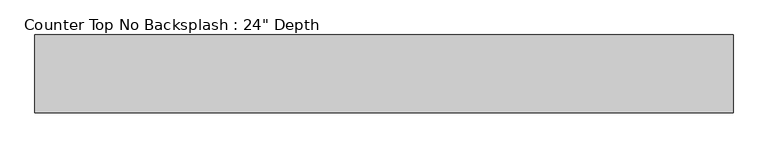
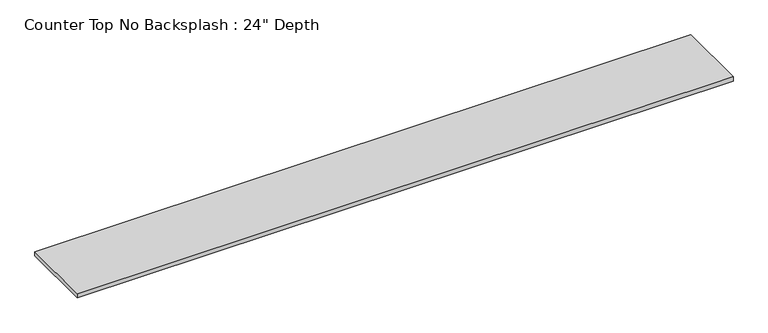
"""IFC4 building model written with IfcOpenShell, lengths in millimetres: furniture geometry."""

from ifc_helpers import new_model, si_unit, frame, origin, place, context, project, spatial, polyline, outline, extrude, source, transform, mapped, element, save


def furniture_94ef877a(model_context):
    return source(origin(), model_context, "Body", "SweptSolid", [
        extrude(outline(polyline([(4266.8877049, 0.0), (4266.8877049, -609.6), (-1200.4622951, -609.6), (-1200.4622951, 0.0), (4266.8877049, 0.0)])), frame((0.0, 0.0, 876.3), z_axis=(0.0, 0.0, 1.0), x_axis=(1.0, 0.0, 0.0)), (0.0, 0.0, 1.0), 38.1),
    ])


if __name__ == "__main__":
    model = new_model("IFC4")
    model_context = context("Model", 3, world=origin())
    ifc_project = project(units=[si_unit("LENGTHUNIT", "METRE", prefix="MILLI")], contexts=[model_context])
    site = spatial("IfcSite", under=ifc_project)
    building = spatial("IfcBuilding", under=site)
    placement = place(None, origin())
    furniture_shape = furniture_94ef877a(model_context)
    element("IfcFurniture", 1, ObjectType="Counter Top No Backsplash : 24\" Depth", at=placement, inside=building, context=model_context, shape_type="MappedRepresentation", body=[
        mapped(furniture_shape, transform((0.0, 0.0, 0.0), x_axis=(1.0, 0.0, 0.0), y_axis=(0.0, 1.0, 0.0), z_axis=(0.0, 0.0, 1.0))),
    ])
    save(model, "model.ifc")
